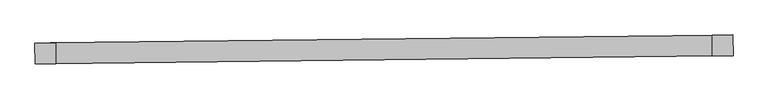
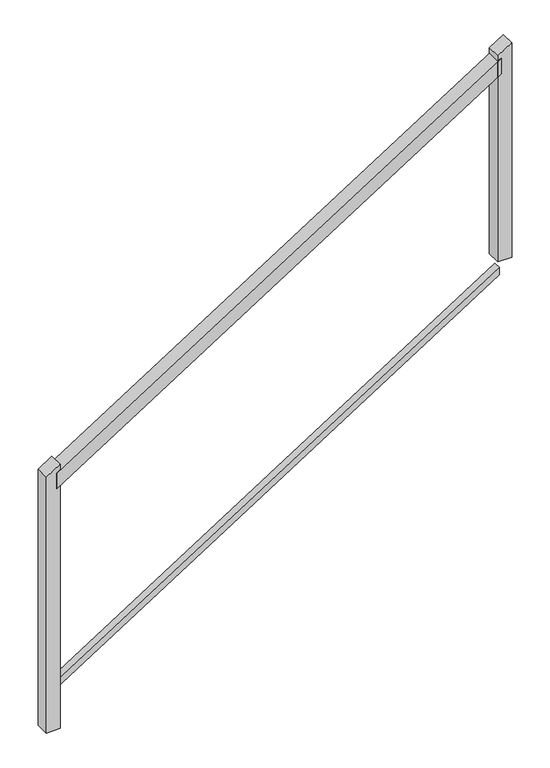
"""IFC4 building model written with IfcOpenShell, lengths in millimetres: railing geometry."""

from ifc_helpers import new_model, si_unit, frame, origin, place, context, project, spatial, polyline, outline, extrude, source, transform, mapped, element, save


def railing_b3d40a62(model_context):
    return source(origin(), model_context, "Body", "SweptSolid", [
        extrude(outline(polyline([(31.6005882, -50.8), (0.0, 0.0), (1921.9924662, 0.0), (1953.5930544, -50.8), (31.6005882, -50.8)])), frame((-19923.0598775, 119396.2406371, 7197.2120652), z_axis=(-0.011634463823806982, 0.9999323173352949, 0.0), x_axis=(0.8490613624236781, 0.009879042345221217, 0.5282018623230978)), (0.0, 0.0, 1.0), 50.8),
        extrude(outline(polyline([(15.8002941, -25.4), (0.0, 0.0), (1921.9924662, 0.0), (1937.7927603, -25.4), (15.8002941, -25.4)])), frame((-19923.2076352, 119408.9397775, 6414.5687468), z_axis=(-0.01163446382380697, 0.9999323173352948, 0.0), x_axis=(0.8490613624236785, 0.009879042345221207, 0.5282018623230974)), (0.0, 0.0, 1.0), 25.4),
        extrude(outline(polyline([(59.8267262, 0.0), (478.6907254, -673.3511098), (435.5554887, -700.1837644), (0.0, 0.0), (59.8267262, 0.0)])), frame((-18253.0729143, 119415.6713551, 8316.9258695), z_axis=(-0.01163446382380697, 0.9999323173352948, 0.0), x_axis=(-0.8490613624236778, -0.009879042345221198, -0.5282018623230984)), (0.0, 0.0, 1.0), 50.8),
        extrude(outline(polyline([(59.8267263, 1e-07), (580.1582256, -836.4667126), (537.0229888, -863.2993673), (0.0, 0.0), (59.8267263, 1e-07)])), frame((-19910.360737, 119396.3883948, 7285.9255754), z_axis=(-0.01163446382380697, 0.9999323173352948, 0.0), x_axis=(-0.8490613624236789, -0.009879042345221212, -0.5282018623230968)), (0.0, 0.0, 1.0), 50.8),
    ])


if __name__ == "__main__":
    model = new_model("IFC4")
    model_context = context("Model", 3, world=origin())
    ifc_project = project(units=[si_unit("LENGTHUNIT", "METRE", prefix="MILLI")], contexts=[model_context])
    site = spatial("IfcSite", under=ifc_project)
    building = spatial("IfcBuilding", under=site)
    placement = place(None, origin())
    railing_shape = railing_b3d40a62(model_context)
    element("IfcRailing", 1, at=placement, inside=building, context=model_context, shape_type="MappedRepresentation", body=[
        mapped(railing_shape, transform((0.0, 0.0, 0.0), x_axis=(1.0, 0.0, 0.0), y_axis=(0.0, 1.0, 0.0), z_axis=(0.0, 0.0, 1.0))),
    ])
    save(model, "model.ifc")
